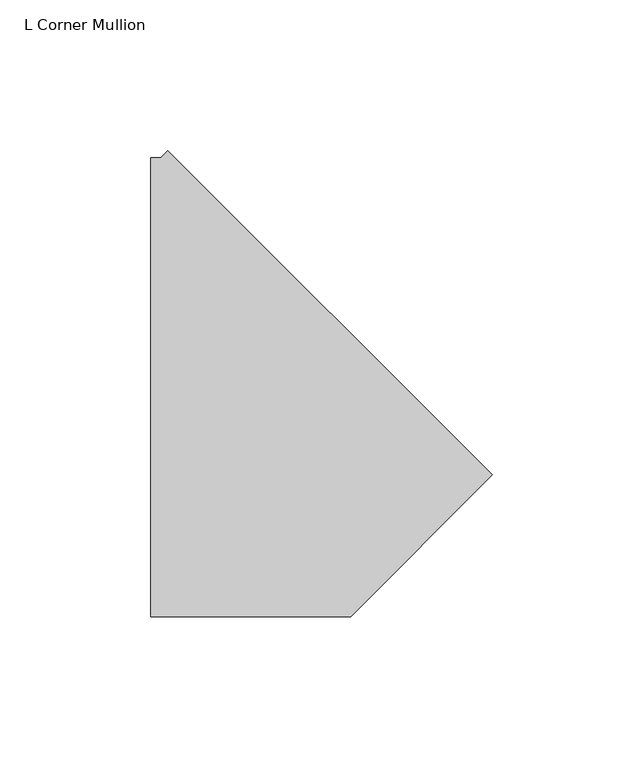
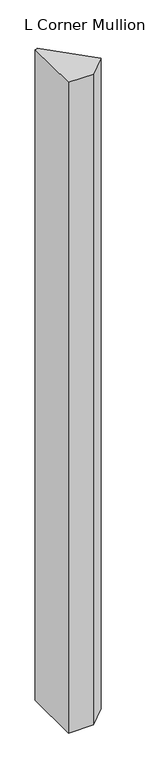
"""IFC4 building model written with IfcOpenShell, lengths in millimetres: member geometry, L Corner Mullion."""

from ifc_helpers import new_model, si_unit, frame, origin, place, context, project, spatial, polyline, outline, extrude, source, transform, mapped, element, save


def l_corner_mullion_641e982a(model_context):
    return source(origin(), model_context, "Body", "SweptSolid", [
        extrude(outline(polyline([(94.3587778, -67.2858324), (47.3446102, -114.3), (-19.1434633, -114.3), (-19.1434633, 38.1), (-15.7815367, 38.1), (-13.4042957, 40.4772411), (94.3587778, -67.2858324)])), frame((0.0, 0.0, -1828.8), z_axis=(0.0, 0.0, 1.0), x_axis=(1.0, 0.0, 0.0)), (0.0, 0.0, 1.0), 1828.8),
    ])


if __name__ == "__main__":
    model = new_model("IFC4")
    model_context = context("Model", 3, world=origin())
    ifc_project = project(units=[si_unit("LENGTHUNIT", "METRE", prefix="MILLI")], contexts=[model_context])
    site = spatial("IfcSite", under=ifc_project)
    building = spatial("IfcBuilding", under=site)
    placement = place(None, origin())
    l_corner_mullion_shape = l_corner_mullion_641e982a(model_context)
    element("IfcMember", 1, ObjectType="L Corner Mullion", at=placement, inside=building, context=model_context, shape_type="MappedRepresentation", body=[
        mapped(l_corner_mullion_shape, transform((0.0, 0.0, 0.0), x_axis=(1.0, 0.0, 0.0), y_axis=(0.0, 1.0, 0.0), z_axis=(0.0, 0.0, 1.0))),
    ])
    save(model, "model.ifc")
